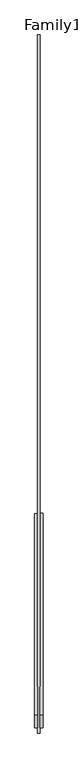
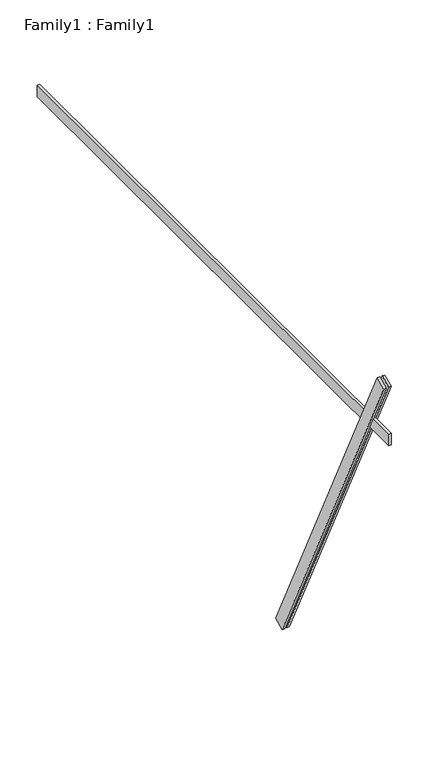
"""IFC4 building model written with IfcOpenShell, lengths in millimetres: proxy geometry, Family1 : Family1."""

from ifc_helpers import new_model, si_unit, frame, origin, place, context, project, spatial, polyline, outline, extrude, source, transform, mapped, element, save


def family1_family1_f218a38a(model_context):
    return source(origin(), model_context, "Body", "SweptSolid", [
        extrude(outline(polyline([(0.0, 0.0), (-100.0000001, 0.0), (-100.0000001, 20.0), (0.0, 20.0), (0.0, 0.0)])), frame((-30.0, -46.3241747, -22.5938096), z_axis=(0.0, -0.4383711467890692, 0.8987940462991711), x_axis=(0.0, -0.8987940462991711, -0.4383711467890692)), (0.0, 0.0, 1.0), 3300.0),
        extrude(outline(polyline([(0.0, 0.0), (-99.9999999, 0.0), (-99.9999999, 20.0), (0.0, 20.0), (0.0, 0.0)])), frame((10.0, -45.270232, -22.0797674), z_axis=(0.0, -0.4383711467890692, 0.8987940462991711), x_axis=(0.0, -0.8987940462991711, -0.4383711467890692)), (0.0, 0.0, 1.0), 3300.0),
        extrude(outline(polyline([(10.0, 3470.8232433), (10.0, -1529.1767567), (-10.0, -1529.1767567), (-10.0, 3470.8232433), (10.0, 3470.8232433)])), frame((0.0, 0.0, 2466.6233296), z_axis=(0.0, 0.0, 1.0), x_axis=(1.0, 0.0, 0.0)), (0.0, 0.0, 1.0), 100.0),
    ])


if __name__ == "__main__":
    model = new_model("IFC4")
    model_context = context("Model", 3, world=origin())
    ifc_project = project(units=[si_unit("LENGTHUNIT", "METRE", prefix="MILLI")], contexts=[model_context])
    site = spatial("IfcSite", under=ifc_project)
    building = spatial("IfcBuilding", under=site)
    placement = place(None, origin())
    family1_family1_shape = family1_family1_f218a38a(model_context)
    element("IfcBuildingElementProxy", 1, Name="Family1 : Family1", ObjectType="Family1 : Family1", at=placement, inside=building, context=model_context, shape_type="MappedRepresentation", body=[
        mapped(family1_family1_shape, transform((0.0, 0.0, 0.0), x_axis=(1.0, 0.0, 0.0), y_axis=(0.0, 1.0, 0.0), z_axis=(0.0, 0.0, 1.0))),
    ])
    save(model, "model.ifc")
